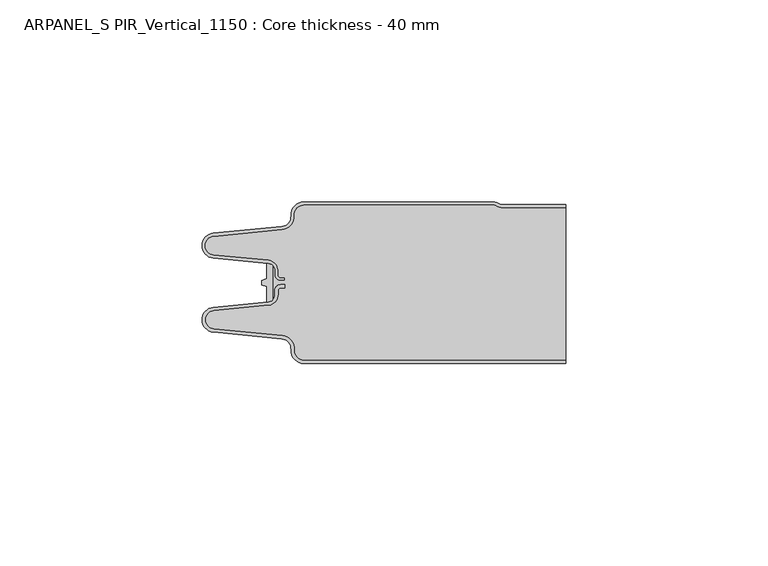
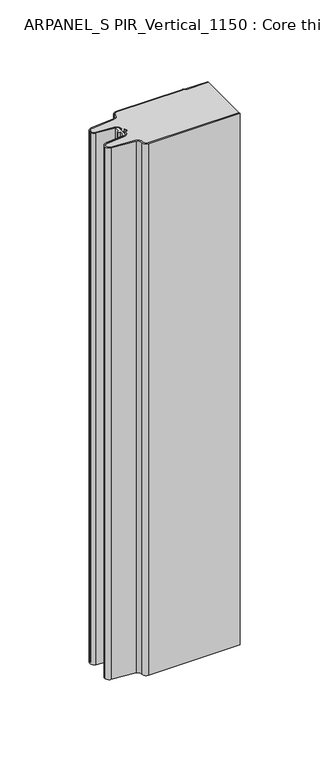
"""IFC4 building model written with IfcOpenShell, lengths in millimetres: plate geometry, ARPANEL_S PIR_Vertical_1150 : Core thickness - 40 mm."""

from ifc_helpers import new_model, si_unit, point, frame, frame_2d, origin, origin_with_axes, place, context, project, spatial, polyline, circle_curve, trimmed, segment, composite_curve, outline, extrude, source, transform, mapped, element, save
from ifc_brep_helpers import plane_surface, cylinder_surface, revolved_surface, advanced_brep


def arpanel_s_pir_vertical_1150_core_thickness_40_mm_20f6d57c(model_context):
    return source(origin(), model_context, "Body", "SolidModel", [
        extrude(outline(composite_curve([segment(polyline([(-30.2854621, -19.4639745), (-29.0682893, -19.0209598), (-29.0682893, -15.20918)]), True, "CONTINUOUS"), segment(trimmed(circle_curve(frame_2d((-28.9194754, -17.302662)), 2.0987645), [point((-29.0682893, -15.20918))], [point((-27.4659308, -15.7887199))], False, "CARTESIAN"), True, "CONTINUOUS"), segment(polyline([(-27.4659308, -15.7887199), (-27.4659308, -24.2112801)]), True, "CONTINUOUS"), segment(trimmed(circle_curve(frame_2d((-28.9194754, -22.697338)), 2.0987645), [point((-27.4659308, -24.2112801))], [point((-29.0682893, -24.79082))], False, "CARTESIAN"), True, "CONTINUOUS"), segment(polyline([(-29.0682893, -24.79082), (-29.0682893, -20.9790402), (-30.2854621, -20.5360255), (-30.2854621, -19.4639745)]), True, "CONTINUOUS")], self_intersect=False)), origin_with_axes(), (0.0, 0.0, 1.0), 400.0),
        advanced_brep(
        [(-19.8000003, -39.9996949, 0.0), (-22.9923632, -36.5787437, 0.0), (-25.2560431, -33.9171154, 0.0), (-42.2115315, -32.2546153, 0.0), (-44.9999998, -29.1776715, 0.0), (-42.2115315, -26.1007278, 0.0), (-28.6195785, -24.7680252, 0.0), (-26.9952277, -22.9766159, 0.0), (-26.9952277, -21.8996949, 0.0), (-25.5952277, -20.4996949, 0.0), (-24.4952277, -20.4996949, 0.0), (-24.4952277, -21.2996949, 0.0), (-25.5952277, -21.2996949, 0.0), (-26.1952277, -21.8996949, 0.0), (-26.1952277, -22.9766159, 0.0), (-28.5415122, -25.5642071, 0.0), (-42.1334652, -26.8969097, 0.0), (-44.1999997, -29.1776715, 0.0), (-42.1334652, -31.4584333, 0.0), (-25.1779767, -33.1209335, 0.0), (-22.2078761, -36.6330399, 0.0), (-19.8000003, -39.1996949, 0.0), (44.9999998, -39.2, 0.0), (44.9999998, -39.9996949, 0.0), (-19.8000003, -39.1996949, 400.0), (-22.1942724, -36.6339815, 400.0), (-25.1779767, -33.1209335, 400.0), (-42.1334652, -31.4584333, 400.0), (-44.1999997, -29.1776715, 400.0), (-42.1334652, -26.8969097, 400.0), (-28.5415122, -25.5642071, 400.0), (-26.1952277, -22.9766159, 400.0), (-26.1952277, -21.8996949, 400.0), (-25.5952277, -21.2996949, 400.0), (-24.4952277, -21.2996949, 400.0), (-24.4952277, -20.4996949, 400.0), (-25.5952277, -20.4996949, 400.0), (-26.9952277, -21.8996949, 400.0), (-26.9952277, -22.9766159, 400.0), (-28.6195785, -24.7680252, 400.0), (-42.2115315, -26.1007278, 400.0), (-44.9999998, -29.1776715, 400.0), (-42.2115315, -32.2546153, 400.0), (-25.2560431, -33.9171154, 400.0), (-23.0059668, -36.5778021, 400.0), (-19.8000003, -39.9996949, 400.0), (44.9999998, -39.9996949, 400.0), (44.9999998, -39.2, 400.0)],
        [
            (0, 1, circle_curve(frame((-19.8000003, -36.7996949, 0.0), z_axis=(0.0, 0.0, -1.0), x_axis=(1.0, 0.0, 0.0)), 3.2)),
            (1, 2, circle_curve(frame((-25.5000003, -36.4051839, 0.0), z_axis=(0.0, 0.0, 1.0), x_axis=(1.0, 0.0, 0.0)), 2.5)),
            (2, 3),
            (3, 4, circle_curve(frame((-41.9100003, -29.1793626, 0.0), z_axis=(0.0, 0.0, -1.0), x_axis=(1.0, 0.0, 0.0)), 3.09)),
            (4, 5, circle_curve(frame((-41.9100003, -29.1759805, 0.0), z_axis=(0.0, 0.0, -1.0), x_axis=(1.0, 0.0, 0.0)), 3.09)),
            (5, 6),
            (6, 7, circle_curve(frame((-28.7952277, -22.9766159, 0.0), z_axis=(0.0, 0.0, 1.0), x_axis=(1.0, 0.0, 0.0)), 1.8)),
            (7, 8),
            (8, 9, circle_curve(frame((-25.5952277, -21.8996949, 0.0), z_axis=(0.0, 0.0, -1.0), x_axis=(1.0, 0.0, 0.0)), 1.4)),
            (9, 10),
            (10, 11),
            (11, 12),
            (12, 13, circle_curve(frame((-25.5952277, -21.8996949, 0.0), z_axis=(0.0, 0.0, 1.0), x_axis=(1.0, 0.0, 0.0)), 0.6)),
            (13, 14),
            (14, 15, circle_curve(frame((-28.7952277, -22.9766159, 0.0), z_axis=(0.0, 0.0, -1.0), x_axis=(1.0, 0.0, 0.0)), 2.6)),
            (15, 16),
            (16, 17, circle_curve(frame((-41.9100003, -29.1759805, 0.0), z_axis=(0.0, 0.0, 1.0), x_axis=(1.0, 0.0, 0.0)), 2.29)),
            (17, 18, circle_curve(frame((-41.9100003, -29.1793626, 0.0), z_axis=(0.0, 0.0, 1.0), x_axis=(1.0, 0.0, 0.0)), 2.29)),
            (18, 19),
            (19, 20, circle_curve(frame((-25.5000003, -36.4051839, 0.0), z_axis=(0.0, 0.0, -1.0), x_axis=(1.0, 0.0, 0.0)), 3.3)),
            (20, 21, circle_curve(frame((-19.8000003, -36.7996949, 0.0), z_axis=(0.0, 0.0, 1.0), x_axis=(1.0, 0.0, 0.0)), 2.4)),
            (21, 22),
            (22, 23),
            (23, 0),
            (24, 25, circle_curve(frame((-19.8000003, -36.7996949, 400.0), z_axis=(0.0, 0.0, -1.0), x_axis=(1.0, 0.0, 0.0)), 2.4)),
            (25, 26, circle_curve(frame((-25.5000003, -36.4051839, 400.0), z_axis=(0.0, 0.0, 1.0), x_axis=(1.0, 0.0, 0.0)), 3.3)),
            (26, 27),
            (27, 28, circle_curve(frame((-41.9100003, -29.1793626, 400.0), z_axis=(0.0, 0.0, -1.0), x_axis=(1.0, 0.0, 0.0)), 2.29)),
            (28, 29, circle_curve(frame((-41.9100003, -29.1759805, 400.0), z_axis=(0.0, 0.0, -1.0), x_axis=(1.0, 0.0, 0.0)), 2.29)),
            (29, 30),
            (30, 31, circle_curve(frame((-28.7952277, -22.9766159, 400.0), z_axis=(0.0, 0.0, 1.0), x_axis=(1.0, 0.0, 0.0)), 2.6)),
            (31, 32),
            (32, 33, circle_curve(frame((-25.5952277, -21.8996949, 400.0), z_axis=(0.0, 0.0, -1.0), x_axis=(1.0, 0.0, 0.0)), 0.6)),
            (33, 34),
            (34, 35),
            (35, 36),
            (36, 37, circle_curve(frame((-25.5952277, -21.8996949, 400.0), z_axis=(0.0, 0.0, 1.0), x_axis=(1.0, 0.0, 0.0)), 1.4)),
            (37, 38),
            (38, 39, circle_curve(frame((-28.7952277, -22.9766159, 400.0), z_axis=(0.0, 0.0, -1.0), x_axis=(1.0, 0.0, 0.0)), 1.8)),
            (39, 40),
            (40, 41, circle_curve(frame((-41.9100003, -29.1759805, 400.0), z_axis=(0.0, 0.0, 1.0), x_axis=(1.0, 0.0, 0.0)), 3.09)),
            (41, 42, circle_curve(frame((-41.9100003, -29.1793626, 400.0), z_axis=(0.0, 0.0, 1.0), x_axis=(1.0, 0.0, 0.0)), 3.09)),
            (42, 43),
            (43, 44, circle_curve(frame((-25.5000003, -36.4051839, 400.0), z_axis=(0.0, 0.0, -1.0), x_axis=(1.0, 0.0, 0.0)), 2.5)),
            (44, 45, circle_curve(frame((-19.8000003, -36.7996949, 400.0), z_axis=(0.0, 0.0, 1.0), x_axis=(1.0, 0.0, 0.0)), 3.2)),
            (45, 46),
            (46, 47),
            (47, 24),
            (21, 24),
            (47, 22),
            (20, 25),
            (19, 26),
            (18, 27),
            (17, 28),
            (16, 29),
            (15, 30),
            (14, 31),
            (13, 32),
            (12, 33),
            (11, 34),
            (10, 35),
            (9, 36),
            (8, 37),
            (7, 38),
            (6, 39),
            (5, 40),
            (4, 41),
            (3, 42),
            (2, 43),
            (1, 44),
            (0, 45),
            (23, 46),
        ],
        [
            plane_surface(frame((-44.9999998, -40.0, 0.0), z_axis=(0.0, 0.0, -1.0), x_axis=(0.0, 1.0, 0.0))),
            plane_surface(frame((-44.9999998, -40.0, 400.0), z_axis=(0.0, 0.0, 1.0), x_axis=(0.0, 1.0, 0.0))),
            plane_surface(frame((-19.8000003, -39.2, 0.0), z_axis=(0.0, 1.0, 0.0), x_axis=(0.0, 0.0, 1.0))),
            revolved_surface(polyline([(-17.400000300000002, -36.7996949, 400.0), (-17.400000300000002, -36.7996949, 0.0)]), (-19.8000003, -36.7996949, 0.0), (0.0, 0.0, 1.0)),
            cylinder_surface(frame((-25.5000003, -36.4051839, 0.0), z_axis=(0.0, 0.0, -1.0), x_axis=(1.0, 0.0, 0.0)), 3.3),
            plane_surface(frame((-42.1334652, -31.4584333, 0.0), z_axis=(0.09758289975914758, 0.9952273999818314, 0.0), x_axis=(0.0, 0.0, 1.0))),
            revolved_surface(polyline([(-39.6200003, -29.1793626, 400.0), (-39.6200003, -29.1793626, 0.0)]), (-41.9100003, -29.1793626, 0.0), (0.0, 0.0, 1.0)),
            revolved_surface(polyline([(-39.6200003, -29.1759805, 400.0), (-39.6200003, -29.1759805, 0.0)]), (-41.9100003, -29.1759805, 0.0), (0.0, 0.0, 1.0)),
            plane_surface(frame((-28.5415122, -25.5642071, 0.0), z_axis=(0.09758289975914383, -0.9952273999818317, 0.0), x_axis=(0.0, 0.0, 1.0))),
            cylinder_surface(frame((-28.7952277, -22.9766159, 0.0), z_axis=(0.0, 0.0, -1.0), x_axis=(1.0, 0.0, 0.0)), 2.6),
            plane_surface(frame((-26.1952277, -21.8996949, 0.0), z_axis=(1.0, 0.0, 0.0), x_axis=(0.0, 0.0, 1.0))),
            revolved_surface(polyline([(-24.995227699999997, -21.8996949, 400.0), (-24.995227699999997, -21.8996949, 0.0)]), (-25.5952277, -21.8996949, 0.0), (0.0, 0.0, 1.0)),
            plane_surface(frame((-24.4952277, -21.2996949, 0.0), z_axis=(0.0, -1.0, 0.0), x_axis=(0.0, 0.0, 1.0))),
            plane_surface(frame((-24.4952277, -20.4996949, 0.0), z_axis=(1.0, 0.0, 0.0), x_axis=(0.0, 0.0, 1.0))),
            plane_surface(frame((-25.5952277, -20.4996949, 0.0), z_axis=(0.0, 1.0, 0.0), x_axis=(0.0, 0.0, 1.0))),
            cylinder_surface(frame((-25.5952277, -21.8996949, 0.0), z_axis=(0.0, 0.0, -1.0), x_axis=(1.0, 0.0, 0.0)), 1.4),
            plane_surface(frame((-26.9952277, -22.9766159, 0.0), z_axis=(-1.0, 0.0, 0.0), x_axis=(0.0, 0.0, 1.0))),
            revolved_surface(polyline([(-26.9952277, -22.9766159, 400.0), (-26.9952277, -22.9766159, 0.0)]), (-28.7952277, -22.9766159, 0.0), (0.0, 0.0, 1.0)),
            plane_surface(frame((-42.2115315, -26.1007278, 0.0), z_axis=(-0.09758289975914387, 0.9952273999818317, 0.0), x_axis=(0.0, 0.0, 1.0))),
            cylinder_surface(frame((-41.9100003, -29.1759805, 0.0), z_axis=(0.0, 0.0, -1.0), x_axis=(1.0, 0.0, 0.0)), 3.09),
            cylinder_surface(frame((-41.9100003, -29.1793626, 0.0), z_axis=(0.0, 0.0, -1.0), x_axis=(1.0, 0.0, 0.0)), 3.09),
            plane_surface(frame((-25.2560431, -33.9171154, 0.0), z_axis=(-0.09758289975914762, -0.9952273999818314, 0.0), x_axis=(0.0, 0.0, 1.0))),
            revolved_surface(polyline([(-23.0000003, -36.4051839, 400.0), (-23.0000003, -36.4051839, 0.0)]), (-25.5000003, -36.4051839, 0.0), (0.0, 0.0, 1.0)),
            cylinder_surface(frame((-19.8000003, -36.7996949, 0.0), z_axis=(0.0, 0.0, -1.0), x_axis=(1.0, 0.0, 0.0)), 3.2),
            plane_surface(frame((1121.009932, -39.9996949, 0.0), z_axis=(0.0, -1.0, 0.0), x_axis=(0.0, 0.0, 1.0))),
            plane_surface(frame((44.9999998, 180.0, 400.0), z_axis=(1.0, 0.0, 0.0), x_axis=(0.0, 0.0, -1.0))),
        ],
        [
            (0, [[1, 2, 3, 4, 5, 6, 7, 8, 9, 10, 11, 12, 13, 14, 15, 16, 17, 18, 19, 20, 21, 22, 23, 24]]),
            (1, [[25, 26, 27, 28, 29, 30, 31, 32, 33, 34, 35, 36, 37, 38, 39, 40, 41, 42, 43, 44, 45, 46, 47, 48]]),
            (2, [[49, -48, 50, -22]]),
            (3, [[-21, 51, -25, -49]]),
            (4, [[-20, 52, -26, -51]]),
            (5, [[-19, 53, -27, -52]]),
            (6, [[-18, 54, -28, -53]]),
            (7, [[-17, 55, -29, -54]]),
            (8, [[-16, 56, -30, -55]]),
            (9, [[-15, 57, -31, -56]]),
            (10, [[-14, 58, -32, -57]]),
            (11, [[-13, 59, -33, -58]]),
            (12, [[-12, 60, -34, -59]]),
            (13, [[-11, 61, -35, -60]]),
            (14, [[-10, 62, -36, -61]]),
            (15, [[-9, 63, -37, -62]]),
            (16, [[-8, 64, -38, -63]]),
            (17, [[-7, 65, -39, -64]]),
            (18, [[-6, 66, -40, -65]]),
            (19, [[-5, 67, -41, -66]]),
            (20, [[-4, 68, -42, -67]]),
            (21, [[-3, 69, -43, -68]]),
            (22, [[-2, 70, -44, -69]]),
            (23, [[-1, 71, -45, -70]]),
            (24, [[-71, -24, 72, -46]]),
            (25, [[-23, -50, -47, -72]]),
        ],
    ),
        advanced_brep(
        [(-26.9952277, -17.0233841, 400.0), (-27.4671027, -15.8084422, 400.0), (-27.4671027, -24.1915578, 400.0), (-26.9952277, -22.9766159, 400.0), (-26.9952277, -21.8996949, 400.0), (-25.5952277, -20.4996949, 400.0), (-24.4952277, -20.4996949, 400.0), (-24.4952277, -21.2996949, 400.0), (-25.5952277, -21.2996949, 400.0), (-26.1952277, -21.8996949, 400.0), (-26.1952277, -22.9766159, 400.0), (-28.5415122, -25.5642071, 400.0), (-42.1334652, -26.8969097, 400.0), (-44.1999997, -29.1776715, 400.0), (-42.1334652, -31.4584333, 400.0), (-25.1779767, -33.1209335, 400.0), (-22.2078761, -36.6330399, 400.0), (-19.8000003, -39.1996949, 400.0), (44.9999998, -39.2, 400.0), (44.9999998, -1.5003051, 400.0), (29.4172165, -1.5003051, 400.0), (27.9978051, -1.0971009, 400.0), (26.9454197, -0.8, 400.0), (-19.8000003, -0.8, 400.0), (-22.1942724, -3.3660185, 400.0), (-25.1779767, -6.8790665, 400.0), (-42.1334652, -8.5415667, 400.0), (-44.1999997, -10.8223285, 400.0), (-42.1334652, -13.1030903, 400.0), (-28.5415122, -14.4357929, 400.0), (-26.1952277, -17.0233841, 400.0), (-26.1952277, -18.1003051, 400.0), (-25.5952277, -18.7003051, 400.0), (-24.4952277, -18.7003051, 400.0), (-24.4952277, -19.5003051, 400.0), (-25.5952277, -19.5003051, 400.0), (-26.9952277, -18.1003051, 400.0), (-27.4671027, -15.8084422, 0.0), (-26.9952277, -17.0233841, 0.0), (-26.9952277, -18.1003051, 0.0), (-25.5952277, -19.5003051, 0.0), (-24.4952277, -19.5003051, 0.0), (-24.4952277, -18.7003051, 0.0), (-25.5952277, -18.7003051, 0.0), (-26.1952277, -18.1003051, 0.0), (-26.1952277, -17.0233841, 0.0), (-28.5415122, -14.4357929, 0.0), (-42.1334652, -13.1030903, 0.0), (-44.1999997, -10.8223285, 0.0), (-42.1334652, -8.5415667, 0.0), (-25.1779767, -6.8790665, 0.0), (-22.2078761, -3.3669601, 0.0), (-19.8000003, -0.8003051, 0.0), (26.9454197, -0.8, 0.0), (27.9968355, -1.0986697, 0.0), (29.4172165, -1.5003051, 0.0), (44.9999998, -1.5003051, 0.0), (44.9999998, -39.2, 0.0), (-19.8000003, -39.2, 0.0), (-22.1942724, -36.6339815, 0.0), (-25.1779767, -33.1209335, 0.0), (-42.1334652, -31.4584333, 0.0), (-44.1999997, -29.1776715, 0.0), (-42.1334652, -26.8969097, 0.0), (-28.5415122, -25.5642071, 0.0), (-26.1952277, -22.9766159, 0.0), (-26.1952277, -21.8996949, 0.0), (-25.5952277, -21.2996949, 0.0), (-24.4952277, -21.2996949, 0.0), (-24.4952277, -20.4996949, 0.0), (-25.5952277, -20.4996949, 0.0), (-26.9952277, -21.8996949, 0.0), (-26.9952277, -22.9766159, 0.0), (-27.4671027, -24.1915578, 0.0)],
        [
            (0, 1, circle_curve(frame((-28.7952277, -17.0233841, 400.0), z_axis=(0.0, 0.0, 1.0), x_axis=(1.0, 0.0, 0.0)), 1.8)),
            (1, 2),
            (2, 3, circle_curve(frame((-28.7952277, -22.9766159, 400.0), z_axis=(0.0, 0.0, 1.0), x_axis=(1.0, 0.0, 0.0)), 1.8)),
            (3, 4),
            (4, 5, circle_curve(frame((-25.5952277, -21.8996949, 400.0), z_axis=(0.0, 0.0, -1.0), x_axis=(1.0, 0.0, 0.0)), 1.4)),
            (5, 6),
            (6, 7),
            (7, 8),
            (8, 9, circle_curve(frame((-25.5952277, -21.8996949, 400.0), z_axis=(0.0, 0.0, 1.0), x_axis=(1.0, 0.0, 0.0)), 0.6)),
            (9, 10),
            (10, 11, circle_curve(frame((-28.7952277, -22.9766159, 400.0), z_axis=(0.0, 0.0, -1.0), x_axis=(1.0, 0.0, 0.0)), 2.6)),
            (11, 12),
            (12, 13, circle_curve(frame((-41.9100003, -29.1759805, 400.0), z_axis=(0.0, 0.0, 1.0), x_axis=(1.0, 0.0, 0.0)), 2.29)),
            (13, 14, circle_curve(frame((-41.9100003, -29.1793626, 400.0), z_axis=(0.0, 0.0, 1.0), x_axis=(1.0, 0.0, 0.0)), 2.29)),
            (14, 15),
            (15, 16, circle_curve(frame((-25.5000003, -36.4051839, 400.0), z_axis=(0.0, 0.0, -1.0), x_axis=(1.0, 0.0, 0.0)), 3.3)),
            (16, 17, circle_curve(frame((-19.8000003, -36.7996949, 400.0), z_axis=(0.0, 0.0, 1.0), x_axis=(1.0, 0.0, 0.0)), 2.4)),
            (17, 18),
            (18, 19),
            (19, 20),
            (20, 21, circle_curve(frame((29.4172165, 1.1996949, 400.0), z_axis=(0.0, 0.0, -1.0), x_axis=(1.0, 0.0, 0.0)), 2.7)),
            (21, 22, circle_curve(frame((26.9454197, -2.8, 400.0), z_axis=(0.0, 0.0, 1.0), x_axis=(1.0, 0.0, 0.0)), 2.0)),
            (22, 23),
            (23, 24, circle_curve(frame((-19.8000003, -3.2003051, 400.0), z_axis=(0.0, 0.0, 1.0), x_axis=(1.0, 0.0, 0.0)), 2.4)),
            (24, 25, circle_curve(frame((-25.5000003, -3.5948161, 400.0), z_axis=(0.0, 0.0, -1.0), x_axis=(1.0, 0.0, 0.0)), 3.3)),
            (25, 26),
            (26, 27, circle_curve(frame((-41.9100003, -10.8206374, 400.0), z_axis=(0.0, 0.0, 1.0), x_axis=(1.0, 0.0, 0.0)), 2.29)),
            (27, 28, circle_curve(frame((-41.9100003, -10.8240195, 400.0), z_axis=(0.0, 0.0, 1.0), x_axis=(1.0, 0.0, 0.0)), 2.29)),
            (28, 29),
            (29, 30, circle_curve(frame((-28.7952277, -17.0233841, 400.0), z_axis=(0.0, 0.0, -1.0), x_axis=(1.0, 0.0, 0.0)), 2.6)),
            (30, 31),
            (31, 32, circle_curve(frame((-25.5952277, -18.1003051, 400.0), z_axis=(0.0, 0.0, 1.0), x_axis=(1.0, 0.0, 0.0)), 0.6)),
            (32, 33),
            (33, 34),
            (34, 35),
            (35, 36, circle_curve(frame((-25.5952277, -18.1003051, 400.0), z_axis=(0.0, 0.0, -1.0), x_axis=(1.0, 0.0, 0.0)), 1.4)),
            (36, 0),
            (37, 38, circle_curve(frame((-28.7952277, -17.0233841, 0.0), z_axis=(0.0, 0.0, -1.0), x_axis=(1.0, 0.0, 0.0)), 1.8)),
            (38, 39),
            (39, 40, circle_curve(frame((-25.5952277, -18.1003051, 0.0), z_axis=(0.0, 0.0, 1.0), x_axis=(1.0, 0.0, 0.0)), 1.4)),
            (40, 41),
            (41, 42),
            (42, 43),
            (43, 44, circle_curve(frame((-25.5952277, -18.1003051, 0.0), z_axis=(0.0, 0.0, -1.0), x_axis=(1.0, 0.0, 0.0)), 0.6)),
            (44, 45),
            (45, 46, circle_curve(frame((-28.7952277, -17.0233841, 0.0), z_axis=(0.0, 0.0, 1.0), x_axis=(1.0, 0.0, 0.0)), 2.6)),
            (46, 47),
            (47, 48, circle_curve(frame((-41.9100003, -10.8240195, 0.0), z_axis=(0.0, 0.0, -1.0), x_axis=(1.0, 0.0, 0.0)), 2.29)),
            (48, 49, circle_curve(frame((-41.9100003, -10.8206374, 0.0), z_axis=(0.0, 0.0, -1.0), x_axis=(1.0, 0.0, 0.0)), 2.29)),
            (49, 50),
            (50, 51, circle_curve(frame((-25.5000003, -3.5948161, 0.0), z_axis=(0.0, 0.0, 1.0), x_axis=(1.0, 0.0, 0.0)), 3.3)),
            (51, 52, circle_curve(frame((-19.8000003, -3.2003051, 0.0), z_axis=(0.0, 0.0, -1.0), x_axis=(1.0, 0.0, 0.0)), 2.4)),
            (52, 53),
            (53, 54, circle_curve(frame((26.9454197, -2.8, 0.0), z_axis=(0.0, 0.0, -1.0), x_axis=(1.0, 0.0, 0.0)), 2.0)),
            (54, 55, circle_curve(frame((29.4172165, 1.1996949, 0.0), z_axis=(0.0, 0.0, 1.0), x_axis=(1.0, 0.0, 0.0)), 2.7)),
            (55, 56),
            (56, 57),
            (57, 58),
            (58, 59, circle_curve(frame((-19.8000003, -36.7996949, 0.0), z_axis=(0.0, 0.0, -1.0), x_axis=(1.0, 0.0, 0.0)), 2.4)),
            (59, 60, circle_curve(frame((-25.5000003, -36.4051839, 0.0), z_axis=(0.0, 0.0, 1.0), x_axis=(1.0, 0.0, 0.0)), 3.3)),
            (60, 61),
            (61, 62, circle_curve(frame((-41.9100003, -29.1793626, 0.0), z_axis=(0.0, 0.0, -1.0), x_axis=(1.0, 0.0, 0.0)), 2.29)),
            (62, 63, circle_curve(frame((-41.9100003, -29.1759805, 0.0), z_axis=(0.0, 0.0, -1.0), x_axis=(1.0, 0.0, 0.0)), 2.29)),
            (63, 64),
            (64, 65, circle_curve(frame((-28.7952277, -22.9766159, 0.0), z_axis=(0.0, 0.0, 1.0), x_axis=(1.0, 0.0, 0.0)), 2.6)),
            (65, 66),
            (66, 67, circle_curve(frame((-25.5952277, -21.8996949, 0.0), z_axis=(0.0, 0.0, -1.0), x_axis=(1.0, 0.0, 0.0)), 0.6)),
            (67, 68),
            (68, 69),
            (69, 70),
            (70, 71, circle_curve(frame((-25.5952277, -21.8996949, 0.0), z_axis=(0.0, 0.0, 1.0), x_axis=(1.0, 0.0, 0.0)), 1.4)),
            (71, 72),
            (72, 73, circle_curve(frame((-28.7952277, -22.9766159, 0.0), z_axis=(0.0, 0.0, -1.0), x_axis=(1.0, 0.0, 0.0)), 1.8)),
            (73, 37),
            (1, 37),
            (73, 2),
            (0, 38),
            (36, 39),
            (35, 40),
            (34, 41),
            (42, 33),
            (32, 43),
            (31, 44),
            (30, 45),
            (29, 46),
            (28, 47),
            (27, 48),
            (26, 49),
            (25, 50),
            (24, 51),
            (23, 52),
            (22, 53),
            (21, 54),
            (20, 55),
            (19, 56),
            (17, 58),
            (57, 18),
            (16, 59),
            (15, 60),
            (14, 61),
            (13, 62),
            (12, 63),
            (11, 64),
            (10, 65),
            (9, 66),
            (8, 67),
            (7, 68),
            (6, 69),
            (5, 70),
            (4, 71),
            (3, 72),
        ],
        [
            plane_surface(frame((-44.9999998, 0.0, 400.0), z_axis=(0.0, 0.0, 1.0), x_axis=(0.0, -1.0, 0.0))),
            plane_surface(frame((-44.9999998, 0.0, 0.0), z_axis=(0.0, 0.0, -1.0), x_axis=(0.0, -1.0, 0.0))),
            plane_surface(frame((-27.4671027, -14.998578, 400.0), z_axis=(-1.0, 0.0, 0.0), x_axis=(0.0, 0.0, -1.0))),
            cylinder_surface(frame((-28.7952277, -17.0233841, 530.0), z_axis=(0.0, 0.0, -1.0), x_axis=(1.0, 0.0, 0.0)), 1.8),
            plane_surface(frame((-26.9952277, -17.0233841, 530.0), z_axis=(1.0, 0.0, 0.0), x_axis=(0.0, 0.0, -1.0))),
            revolved_surface(polyline([(-24.1952277, -18.1003051, 400.0), (-24.1952277, -18.1003051, 0.0)]), (-25.5952277, -18.1003051, 530.0), (0.0, 0.0, 1.0)),
            plane_surface(frame((-25.5952277, -19.5003051, 530.0), z_axis=(0.0, 1.0, 0.0), x_axis=(0.0, 0.0, -1.0))),
            plane_surface(frame((-24.4952277, -18.7003051, 530.0), z_axis=(0.0, -1.0, 0.0), x_axis=(0.0, 0.0, -1.0))),
            cylinder_surface(frame((-25.5952277, -18.1003051, 530.0), z_axis=(0.0, 0.0, -1.0), x_axis=(1.0, 0.0, 0.0)), 0.6),
            plane_surface(frame((-26.1952277, -18.1003051, 530.0), z_axis=(-1.0, 0.0, 0.0), x_axis=(0.0, 0.0, -1.0))),
            revolved_surface(polyline([(-26.1952277, -17.0233841, 400.0), (-26.1952277, -17.0233841, 0.0)]), (-28.7952277, -17.0233841, 530.0), (0.0, 0.0, 1.0)),
            plane_surface(frame((-28.5415122, -14.4357929, 530.0), z_axis=(-0.09758289975914705, -0.9952273999818314, 0.0), x_axis=(0.0, 0.0, -1.0))),
            cylinder_surface(frame((-41.9100003, -10.8240195, 530.0), z_axis=(0.0, 0.0, -1.0), x_axis=(1.0, 0.0, 0.0)), 2.29),
            cylinder_surface(frame((-41.9100003, -10.8206374, 530.0), z_axis=(0.0, 0.0, -1.0), x_axis=(1.0, 0.0, 0.0)), 2.29),
            plane_surface(frame((-42.1334652, -8.5415667, 530.0), z_axis=(-0.09758289975914436, 0.9952273999818317, 0.0), x_axis=(0.0, 0.0, -1.0))),
            revolved_surface(polyline([(-22.2000003, -3.5948161, 400.0), (-22.2000003, -3.5948161, 0.0)]), (-25.5000003, -3.5948161, 530.0), (0.0, 0.0, 1.0)),
            cylinder_surface(frame((-19.8000003, -3.2003051, 530.0), z_axis=(0.0, 0.0, -1.0), x_axis=(1.0, 0.0, 0.0)), 2.4),
            plane_surface(frame((-19.8000003, -0.8, 530.0), z_axis=(0.0, 1.0, 0.0), x_axis=(0.0, 0.0, -1.0))),
            cylinder_surface(frame((26.9454197, -2.8, 530.0), z_axis=(0.0, 0.0, -1.0), x_axis=(1.0, 0.0, 0.0)), 2.0),
            revolved_surface(polyline([(32.1172165, 1.1996949, 400.0), (32.1172165, 1.1996949, 0.0)]), (29.4172165, 1.1996949, 530.0), (0.0, 0.0, 1.0)),
            plane_surface(frame((29.4172165, -1.5003051, 530.0), z_axis=(0.0, 1.0, 0.0), x_axis=(0.0, 0.0, -1.0))),
            plane_surface(frame((-24.4952277, -19.5003051, 530.0), z_axis=(-1.0, 0.0, 0.0), x_axis=(0.0, 0.0, -1.0))),
            plane_surface(frame((1121.009932, -39.2, 530.0), z_axis=(0.0, -1.0, 0.0), x_axis=(0.0, 0.0, -1.0))),
            cylinder_surface(frame((-19.8000003, -36.7996949, 530.0), z_axis=(0.0, 0.0, -1.0), x_axis=(1.0, 0.0, 0.0)), 2.4),
            revolved_surface(polyline([(-22.2000003, -36.4051839, 400.0), (-22.2000003, -36.4051839, 0.0)]), (-25.5000003, -36.4051839, 530.0), (0.0, 0.0, 1.0)),
            plane_surface(frame((-25.1779767, -33.1209335, 530.0), z_axis=(-0.09758289975914758, -0.9952273999818314, 0.0), x_axis=(0.0, 0.0, -1.0))),
            cylinder_surface(frame((-41.9100003, -29.1793626, 530.0), z_axis=(0.0, 0.0, -1.0), x_axis=(1.0, 0.0, 0.0)), 2.29),
            cylinder_surface(frame((-41.9100003, -29.1759805, 530.0), z_axis=(0.0, 0.0, -1.0), x_axis=(1.0, 0.0, 0.0)), 2.29),
            plane_surface(frame((-42.1334652, -26.8969097, 530.0), z_axis=(-0.09758289975914383, 0.9952273999818317, 0.0), x_axis=(0.0, 0.0, -1.0))),
            revolved_surface(polyline([(-26.1952277, -22.9766159, 400.0), (-26.1952277, -22.9766159, 0.0)]), (-28.7952277, -22.9766159, 530.0), (0.0, 0.0, 1.0)),
            plane_surface(frame((-26.1952277, -22.9766159, 530.0), z_axis=(-1.0, 0.0, 0.0), x_axis=(0.0, 0.0, -1.0))),
            cylinder_surface(frame((-25.5952277, -21.8996949, 530.0), z_axis=(0.0, 0.0, -1.0), x_axis=(1.0, 0.0, 0.0)), 0.6),
            plane_surface(frame((-25.5952277, -21.2996949, 530.0), z_axis=(0.0, 1.0, 0.0), x_axis=(0.0, 0.0, -1.0))),
            plane_surface(frame((-24.4952277, -21.2996949, 530.0), z_axis=(-1.0, 0.0, 0.0), x_axis=(0.0, 0.0, -1.0))),
            plane_surface(frame((-24.4952277, -20.4996949, 530.0), z_axis=(0.0, -1.0, 0.0), x_axis=(0.0, 0.0, -1.0))),
            revolved_surface(polyline([(-24.1952277, -21.8996949, 400.0), (-24.1952277, -21.8996949, 0.0)]), (-25.5952277, -21.8996949, 530.0), (0.0, 0.0, 1.0)),
            plane_surface(frame((-26.9952277, -21.8996949, 530.0), z_axis=(1.0, 0.0, 0.0), x_axis=(0.0, 0.0, -1.0))),
            cylinder_surface(frame((-28.7952277, -22.9766159, 530.0), z_axis=(0.0, 0.0, -1.0), x_axis=(1.0, 0.0, 0.0)), 1.8),
            plane_surface(frame((44.9999998, 180.0, 400.0), z_axis=(1.0, 0.0, 0.0), x_axis=(0.0, 0.0, -1.0))),
        ],
        [
            (0, [[1, 2, 3, 4, 5, 6, 7, 8, 9, 10, 11, 12, 13, 14, 15, 16, 17, 18, 19, 20, 21, 22, 23, 24, 25, 26, 27, 28, 29, 30, 31, 32, 33, 34, 35, 36, 37]]),
            (1, [[38, 39, 40, 41, 42, 43, 44, 45, 46, 47, 48, 49, 50, 51, 52, 53, 54, 55, 56, 57, 58, 59, 60, 61, 62, 63, 64, 65, 66, 67, 68, 69, 70, 71, 72, 73, 74]]),
            (2, [[75, -74, 76, -2]]),
            (3, [[77, -38, -75, -1]]),
            (4, [[-77, -37, 78, -39]]),
            (5, [[-78, -36, 79, -40]]),
            (6, [[-79, -35, 80, -41]]),
            (7, [[81, -33, 82, -43]]),
            (8, [[-82, -32, 83, -44]]),
            (9, [[-83, -31, 84, -45]]),
            (10, [[-84, -30, 85, -46]]),
            (11, [[-85, -29, 86, -47]]),
            (12, [[-86, -28, 87, -48]]),
            (13, [[-87, -27, 88, -49]]),
            (14, [[-88, -26, 89, -50]]),
            (15, [[-89, -25, 90, -51]]),
            (16, [[-90, -24, 91, -52]]),
            (17, [[-91, -23, 92, -53]]),
            (18, [[-92, -22, 93, -54]]),
            (19, [[-93, -21, 94, -55]]),
            (20, [[-94, -20, 95, -56]]),
            (21, [[-81, -42, -80, -34]]),
            (22, [[96, -58, 97, -18]]),
            (23, [[-96, -17, 98, -59]]),
            (24, [[-98, -16, 99, -60]]),
            (25, [[-99, -15, 100, -61]]),
            (26, [[-100, -14, 101, -62]]),
            (27, [[-101, -13, 102, -63]]),
            (28, [[-102, -12, 103, -64]]),
            (29, [[-103, -11, 104, -65]]),
            (30, [[-104, -10, 105, -66]]),
            (31, [[-105, -9, 106, -67]]),
            (32, [[-106, -8, 107, -68]]),
            (33, [[-107, -7, 108, -69]]),
            (34, [[-108, -6, 109, -70]]),
            (35, [[-109, -5, 110, -71]]),
            (36, [[-110, -4, 111, -72]]),
            (37, [[-111, -3, -76, -73]]),
            (38, [[-95, -19, -97, -57]]),
        ],
    ),
        advanced_brep(
        [(27.9968355, -1.0986697, 0.0), (26.9454197, -0.8, 0.0), (-19.8000003, -0.8, 0.0), (-22.1942724, -3.3660185, 0.0), (-25.1779767, -6.8790665, 0.0), (-42.1334652, -8.5415667, 0.0), (-44.1999997, -10.8223285, 0.0), (-42.1334652, -13.1030903, 0.0), (-28.5415122, -14.4357929, 0.0), (-26.1952277, -17.0233841, 0.0), (-26.1952277, -18.1003051, 0.0), (-25.5952277, -18.7003051, 0.0), (-24.4952277, -18.7003051, 0.0), (-24.4952277, -19.5003051, 0.0), (-25.5952277, -19.5003051, 0.0), (-26.9952277, -18.1003051, 0.0), (-26.9952277, -17.0233841, 0.0), (-28.6195785, -15.2319748, 0.0), (-42.2115315, -13.8992722, 0.0), (-44.9999998, -10.8223285, 0.0), (-42.2115315, -7.7453847, 0.0), (-25.2560431, -6.0828846, 0.0), (-23.0059668, -3.4221979, 0.0), (-19.8000003, -0.0003051, 0.0), (26.9454197, -0.0003051, 0.0), (28.3647528, -0.4034608, 0.0), (29.4172165, -0.7003051, 0.0), (44.9999998, -0.7003051, 0.0), (44.9999998, -1.5003051, 0.0), (29.4172165, -1.5003051, 0.0), (27.9978051, -1.0971009, 400.0), (29.4172165, -1.5003051, 400.0), (44.9999998, -1.5003051, 400.0), (44.9999998, -0.7003051, 400.0), (29.4172165, -0.7003051, 400.0), (28.3658586, -0.4016712, 400.0), (26.9454197, -0.0003051, 400.0), (-19.8000003, -0.0003051, 400.0), (-22.9923632, -3.4212563, 400.0), (-25.2560431, -6.0828846, 400.0), (-42.2115315, -7.7453847, 400.0), (-44.9999998, -10.8223285, 400.0), (-42.2115315, -13.8992722, 400.0), (-28.6195785, -15.2319748, 400.0), (-26.9952277, -17.0233841, 400.0), (-26.9952277, -18.1003051, 400.0), (-25.5952277, -19.5003051, 400.0), (-24.4952277, -19.5003051, 400.0), (-24.4952277, -18.7003051, 400.0), (-25.5952277, -18.7003051, 400.0), (-26.1952277, -18.1003051, 400.0), (-26.1952277, -17.0233841, 400.0), (-28.5415122, -14.4357929, 400.0), (-42.1334652, -13.1030903, 400.0), (-44.1999997, -10.8223285, 400.0), (-42.1334652, -8.5415667, 400.0), (-25.1779767, -6.8790665, 400.0), (-22.2078761, -3.3669601, 400.0), (-19.8000003, -0.8003051, 400.0), (26.9454197, -0.8, 400.0)],
        [
            (0, 1, circle_curve(frame((26.9454197, -2.8, 0.0), z_axis=(0.0, 0.0, 1.0), x_axis=(1.0, 0.0, 0.0)), 2.0)),
            (1, 2),
            (2, 3, circle_curve(frame((-19.8000003, -3.2003051, 0.0), z_axis=(0.0, 0.0, 1.0), x_axis=(1.0, 0.0, 0.0)), 2.4)),
            (3, 4, circle_curve(frame((-25.5000003, -3.5948161, 0.0), z_axis=(0.0, 0.0, -1.0), x_axis=(1.0, 0.0, 0.0)), 3.3)),
            (4, 5),
            (5, 6, circle_curve(frame((-41.9100003, -10.8206374, 0.0), z_axis=(0.0, 0.0, 1.0), x_axis=(1.0, 0.0, 0.0)), 2.29)),
            (6, 7, circle_curve(frame((-41.9100003, -10.8240195, 0.0), z_axis=(0.0, 0.0, 1.0), x_axis=(1.0, 0.0, 0.0)), 2.29)),
            (7, 8),
            (8, 9, circle_curve(frame((-28.7952277, -17.0233841, 0.0), z_axis=(0.0, 0.0, -1.0), x_axis=(1.0, 0.0, 0.0)), 2.6)),
            (9, 10),
            (10, 11, circle_curve(frame((-25.5952277, -18.1003051, 0.0), z_axis=(0.0, 0.0, 1.0), x_axis=(1.0, 0.0, 0.0)), 0.6)),
            (11, 12),
            (12, 13),
            (13, 14),
            (14, 15, circle_curve(frame((-25.5952277, -18.1003051, 0.0), z_axis=(0.0, 0.0, -1.0), x_axis=(1.0, 0.0, 0.0)), 1.4)),
            (15, 16),
            (16, 17, circle_curve(frame((-28.7952277, -17.0233841, 0.0), z_axis=(0.0, 0.0, 1.0), x_axis=(1.0, 0.0, 0.0)), 1.8)),
            (17, 18),
            (18, 19, circle_curve(frame((-41.9100003, -10.8240195, 0.0), z_axis=(0.0, 0.0, -1.0), x_axis=(1.0, 0.0, 0.0)), 3.09)),
            (19, 20, circle_curve(frame((-41.9100003, -10.8206374, 0.0), z_axis=(0.0, 0.0, -1.0), x_axis=(1.0, 0.0, 0.0)), 3.09)),
            (20, 21),
            (21, 22, circle_curve(frame((-25.5000003, -3.5948161, 0.0), z_axis=(0.0, 0.0, 1.0), x_axis=(1.0, 0.0, 0.0)), 2.5)),
            (22, 23, circle_curve(frame((-19.8000003, -3.2003051, 0.0), z_axis=(0.0, 0.0, -1.0), x_axis=(1.0, 0.0, 0.0)), 3.2)),
            (23, 24),
            (24, 25, circle_curve(frame((26.9454197, -2.7003051, 0.0), z_axis=(0.0, 0.0, -1.0), x_axis=(1.0, 0.0, 0.0)), 2.7)),
            (25, 26, circle_curve(frame((29.4172165, 1.2996949, 0.0), z_axis=(0.0, 0.0, 1.0), x_axis=(1.0, 0.0, 0.0)), 2.0)),
            (26, 27),
            (27, 28),
            (28, 29),
            (29, 0, circle_curve(frame((29.4172165, 1.1996949, 0.0), z_axis=(0.0, 0.0, -1.0), x_axis=(1.0, 0.0, 0.0)), 2.7)),
            (30, 31, circle_curve(frame((29.4172165, 1.1996949, 400.0), z_axis=(0.0, 0.0, 1.0), x_axis=(1.0, 0.0, 0.0)), 2.7)),
            (31, 32),
            (32, 33),
            (33, 34),
            (34, 35, circle_curve(frame((29.4172165, 1.2996949, 400.0), z_axis=(0.0, 0.0, -1.0), x_axis=(1.0, 0.0, 0.0)), 2.0)),
            (35, 36, circle_curve(frame((26.9454197, -2.7003051, 400.0), z_axis=(0.0, 0.0, 1.0), x_axis=(1.0, 0.0, 0.0)), 2.7)),
            (36, 37),
            (37, 38, circle_curve(frame((-19.8000003, -3.2003051, 400.0), z_axis=(0.0, 0.0, 1.0), x_axis=(1.0, 0.0, 0.0)), 3.2)),
            (38, 39, circle_curve(frame((-25.5000003, -3.5948161, 400.0), z_axis=(0.0, 0.0, -1.0), x_axis=(1.0, 0.0, 0.0)), 2.5)),
            (39, 40),
            (40, 41, circle_curve(frame((-41.9100003, -10.8206374, 400.0), z_axis=(0.0, 0.0, 1.0), x_axis=(1.0, 0.0, 0.0)), 3.09)),
            (41, 42, circle_curve(frame((-41.9100003, -10.8240195, 400.0), z_axis=(0.0, 0.0, 1.0), x_axis=(1.0, 0.0, 0.0)), 3.09)),
            (42, 43),
            (43, 44, circle_curve(frame((-28.7952277, -17.0233841, 400.0), z_axis=(0.0, 0.0, -1.0), x_axis=(1.0, 0.0, 0.0)), 1.8)),
            (44, 45),
            (45, 46, circle_curve(frame((-25.5952277, -18.1003051, 400.0), z_axis=(0.0, 0.0, 1.0), x_axis=(1.0, 0.0, 0.0)), 1.4)),
            (46, 47),
            (47, 48),
            (48, 49),
            (49, 50, circle_curve(frame((-25.5952277, -18.1003051, 400.0), z_axis=(0.0, 0.0, -1.0), x_axis=(1.0, 0.0, 0.0)), 0.6)),
            (50, 51),
            (51, 52, circle_curve(frame((-28.7952277, -17.0233841, 400.0), z_axis=(0.0, 0.0, 1.0), x_axis=(1.0, 0.0, 0.0)), 2.6)),
            (52, 53),
            (53, 54, circle_curve(frame((-41.9100003, -10.8240195, 400.0), z_axis=(0.0, 0.0, -1.0), x_axis=(1.0, 0.0, 0.0)), 2.29)),
            (54, 55, circle_curve(frame((-41.9100003, -10.8206374, 400.0), z_axis=(0.0, 0.0, -1.0), x_axis=(1.0, 0.0, 0.0)), 2.29)),
            (55, 56),
            (56, 57, circle_curve(frame((-25.5000003, -3.5948161, 400.0), z_axis=(0.0, 0.0, 1.0), x_axis=(1.0, 0.0, 0.0)), 3.3)),
            (57, 58, circle_curve(frame((-19.8000003, -3.2003051, 400.0), z_axis=(0.0, 0.0, -1.0), x_axis=(1.0, 0.0, 0.0)), 2.4)),
            (58, 59),
            (59, 30, circle_curve(frame((26.9454197, -2.8, 400.0), z_axis=(0.0, 0.0, -1.0), x_axis=(1.0, 0.0, 0.0)), 2.0)),
            (0, 30),
            (59, 1),
            (58, 2),
            (57, 3),
            (56, 4),
            (55, 5),
            (54, 6),
            (53, 7),
            (52, 8),
            (51, 9),
            (50, 10),
            (49, 11),
            (48, 12),
            (47, 13),
            (46, 14),
            (45, 15),
            (44, 16),
            (43, 17),
            (42, 18),
            (41, 19),
            (40, 20),
            (39, 21),
            (38, 22),
            (37, 23),
            (36, 24),
            (35, 25),
            (34, 26),
            (33, 27),
            (31, 29),
            (28, 32),
        ],
        [
            plane_surface(frame((-44.9999998, 0.0, 0.0), z_axis=(0.0, 0.0, -1.0), x_axis=(0.0, -1.0, 0.0))),
            plane_surface(frame((-44.9999998, 0.0, 400.0), z_axis=(0.0, 0.0, 1.0), x_axis=(0.0, -1.0, 0.0))),
            revolved_surface(polyline([(28.9454197, -2.8, 400.0), (28.9454197, -2.8, 0.0)]), (26.9454197, -2.8, 0.0), (0.0, 0.0, 1.0)),
            plane_surface(frame((26.9454197, -0.8, 0.0), z_axis=(0.0, -1.0, 0.0), x_axis=(0.0, 0.0, 1.0))),
            revolved_surface(polyline([(-17.400000300000002, -3.2003051, 400.0), (-17.400000300000002, -3.2003051, 0.0)]), (-19.8000003, -3.2003051, 0.0), (0.0, 0.0, 1.0)),
            cylinder_surface(frame((-25.5000003, -3.5948161, 0.0), z_axis=(0.0, 0.0, -1.0), x_axis=(1.0, 0.0, 0.0)), 3.3),
            plane_surface(frame((-25.1779767, -6.8790665, 0.0), z_axis=(0.09758289975914113, -0.9952273999818321, 0.0), x_axis=(0.0, 0.0, 1.0))),
            revolved_surface(polyline([(-39.6200003, -10.8206374, 400.0), (-39.6200003, -10.8206374, 0.0)]), (-41.9100003, -10.8206374, 0.0), (0.0, 0.0, 1.0)),
            revolved_surface(polyline([(-39.6200003, -10.8240195, 400.0), (-39.6200003, -10.8240195, 0.0)]), (-41.9100003, -10.8240195, 0.0), (0.0, 0.0, 1.0)),
            plane_surface(frame((-42.1334652, -13.1030903, 0.0), z_axis=(0.0975828997591503, 0.9952273999818312, 0.0), x_axis=(0.0, 0.0, 1.0))),
            cylinder_surface(frame((-28.7952277, -17.0233841, 0.0), z_axis=(0.0, 0.0, -1.0), x_axis=(1.0, 0.0, 0.0)), 2.6),
            plane_surface(frame((-26.1952277, -17.0233841, 0.0), z_axis=(1.0, 0.0, 0.0), x_axis=(0.0, 0.0, 1.0))),
            revolved_surface(polyline([(-24.995227699999997, -18.1003051, 400.0), (-24.995227699999997, -18.1003051, 0.0)]), (-25.5952277, -18.1003051, 0.0), (0.0, 0.0, 1.0)),
            plane_surface(frame((-25.5952277, -18.7003051, 0.0), z_axis=(0.0, 1.0, 0.0), x_axis=(0.0, 0.0, 1.0))),
            plane_surface(frame((-24.4952277, -18.7003051, 0.0), z_axis=(1.0, 0.0, 0.0), x_axis=(0.0, 0.0, 1.0))),
            plane_surface(frame((-24.4952277, -19.5003051, 0.0), z_axis=(0.0, -1.0, 0.0), x_axis=(0.0, 0.0, 1.0))),
            cylinder_surface(frame((-25.5952277, -18.1003051, 0.0), z_axis=(0.0, 0.0, -1.0), x_axis=(1.0, 0.0, 0.0)), 1.4),
            plane_surface(frame((-26.9952277, -18.1003051, 0.0), z_axis=(-1.0, 0.0, 0.0), x_axis=(0.0, 0.0, 1.0))),
            revolved_surface(polyline([(-26.9952277, -17.0233841, 400.0), (-26.9952277, -17.0233841, 0.0)]), (-28.7952277, -17.0233841, 0.0), (0.0, 0.0, 1.0)),
            plane_surface(frame((-28.6195785, -15.2319748, 0.0), z_axis=(-0.09758289975915034, -0.9952273999818312, 0.0), x_axis=(0.0, 0.0, 1.0))),
            cylinder_surface(frame((-41.9100003, -10.8240195, 0.0), z_axis=(0.0, 0.0, -1.0), x_axis=(1.0, 0.0, 0.0)), 3.09),
            cylinder_surface(frame((-41.9100003, -10.8206374, 0.0), z_axis=(0.0, 0.0, -1.0), x_axis=(1.0, 0.0, 0.0)), 3.09),
            plane_surface(frame((-42.2115315, -7.7453847, 0.0), z_axis=(-0.09758289975914117, 0.9952273999818321, 0.0), x_axis=(0.0, 0.0, 1.0))),
            revolved_surface(polyline([(-23.0000003, -3.5948161, 400.0), (-23.0000003, -3.5948161, 0.0)]), (-25.5000003, -3.5948161, 0.0), (0.0, 0.0, 1.0)),
            cylinder_surface(frame((-19.8000003, -3.2003051, 0.0), z_axis=(0.0, 0.0, -1.0), x_axis=(1.0, 0.0, 0.0)), 3.2),
            plane_surface(frame((-19.8000003, -0.0003051, 0.0), z_axis=(0.0, 1.0, 0.0), x_axis=(0.0, 0.0, 1.0))),
            cylinder_surface(frame((26.9454197, -2.7003051, 0.0), z_axis=(0.0, 0.0, -1.0), x_axis=(1.0, 0.0, 0.0)), 2.7),
            revolved_surface(polyline([(31.4172165, 1.2996949, 400.0), (31.4172165, 1.2996949, 0.0)]), (29.4172165, 1.2996949, 0.0), (0.0, 0.0, 1.0)),
            plane_surface(frame((29.4172165, -0.7003051, 0.0), z_axis=(0.0, 1.0, 0.0), x_axis=(0.0, 0.0, 1.0))),
            plane_surface(frame((79.5769997, -1.5003051, 0.0), z_axis=(0.0, -1.0, 0.0), x_axis=(0.0, 0.0, 1.0))),
            cylinder_surface(frame((29.4172165, 1.1996949, 0.0), z_axis=(0.0, 0.0, -1.0), x_axis=(1.0, 0.0, 0.0)), 2.7),
            plane_surface(frame((44.9999998, 180.0, 400.0), z_axis=(1.0, 0.0, 0.0), x_axis=(0.0, 0.0, -1.0))),
        ],
        [
            (0, [[1, 2, 3, 4, 5, 6, 7, 8, 9, 10, 11, 12, 13, 14, 15, 16, 17, 18, 19, 20, 21, 22, 23, 24, 25, 26, 27, 28, 29, 30]]),
            (1, [[31, 32, 33, 34, 35, 36, 37, 38, 39, 40, 41, 42, 43, 44, 45, 46, 47, 48, 49, 50, 51, 52, 53, 54, 55, 56, 57, 58, 59, 60]]),
            (2, [[-1, 61, -60, 62]]),
            (3, [[-2, -62, -59, 63]]),
            (4, [[-3, -63, -58, 64]]),
            (5, [[-4, -64, -57, 65]]),
            (6, [[-5, -65, -56, 66]]),
            (7, [[-6, -66, -55, 67]]),
            (8, [[-7, -67, -54, 68]]),
            (9, [[-8, -68, -53, 69]]),
            (10, [[-9, -69, -52, 70]]),
            (11, [[-10, -70, -51, 71]]),
            (12, [[-11, -71, -50, 72]]),
            (13, [[-12, -72, -49, 73]]),
            (14, [[-13, -73, -48, 74]]),
            (15, [[-14, -74, -47, 75]]),
            (16, [[-15, -75, -46, 76]]),
            (17, [[-16, -76, -45, 77]]),
            (18, [[-17, -77, -44, 78]]),
            (19, [[-18, -78, -43, 79]]),
            (20, [[-19, -79, -42, 80]]),
            (21, [[-20, -80, -41, 81]]),
            (22, [[-21, -81, -40, 82]]),
            (23, [[-22, -82, -39, 83]]),
            (24, [[-23, -83, -38, 84]]),
            (25, [[-24, -84, -37, 85]]),
            (26, [[-25, -85, -36, 86]]),
            (27, [[-26, -86, -35, 87]]),
            (28, [[-87, -34, 88, -27]]),
            (29, [[89, -29, 90, -32]]),
            (30, [[-30, -89, -31, -61]]),
            (31, [[-28, -88, -33, -90]]),
        ],
    ),
    ])


if __name__ == "__main__":
    model = new_model("IFC4")
    model_context = context("Model", 3, world=origin())
    ifc_project = project(units=[si_unit("LENGTHUNIT", "METRE", prefix="MILLI")], contexts=[model_context])
    site = spatial("IfcSite", under=ifc_project)
    building = spatial("IfcBuilding", under=site)
    placement = place(None, origin())
    arpanel_s_pir_vertical_1150_core_thickness_40_mm_shape = arpanel_s_pir_vertical_1150_core_thickness_40_mm_20f6d57c(model_context)
    element("IfcPlate", 1, ObjectType="ARPANEL_S PIR_Vertical_1150 : Core thickness - 40 mm", at=placement, inside=building, context=model_context, shape_type="MappedRepresentation", body=[
        mapped(arpanel_s_pir_vertical_1150_core_thickness_40_mm_shape, transform((0.0, 0.0, 0.0), x_axis=(1.0, 0.0, 0.0), y_axis=(0.0, 1.0, 0.0), z_axis=(0.0, 0.0, 1.0))),
    ])
    save(model, "model.ifc")
